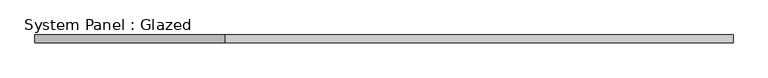
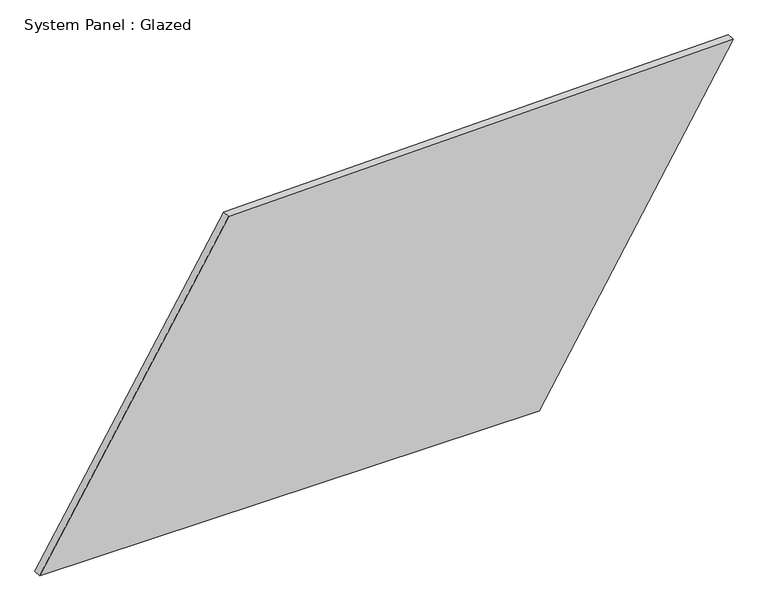
"""IFC4 building model written with IfcOpenShell, lengths in millimetres: plate geometry, System Panel : Glazed."""

from ifc_helpers import new_model, si_unit, frame, origin, place, context, project, spatial, polyline, outline, extrude, source, transform, mapped, element, save


def system_panel_glazed_1415b36a(model_context):
    return source(origin(), model_context, "Body", "SweptSolid", [
        extrude(outline(polyline([(0.0, -1089.031974), (0.0, 479.9318229), (1020.3325172, 1089.031974), (986.0407792, -495.4976911), (0.0, -1089.031974)])), frame((0.0, -49.5, 0.0), z_axis=(0.0, 1.0, 0.0), x_axis=(0.0, 0.0, 1.0)), (0.0, 0.0, 1.0), 25.0),
    ])


if __name__ == "__main__":
    model = new_model("IFC4")
    model_context = context("Model", 3, world=origin())
    ifc_project = project(units=[si_unit("LENGTHUNIT", "METRE", prefix="MILLI")], contexts=[model_context])
    site = spatial("IfcSite", under=ifc_project)
    building = spatial("IfcBuilding", under=site)
    placement = place(None, origin())
    system_panel_glazed_shape = system_panel_glazed_1415b36a(model_context)
    element("IfcPlate", 1, ObjectType="System Panel : Glazed", at=placement, inside=building, context=model_context, shape_type="MappedRepresentation", body=[
        mapped(system_panel_glazed_shape, transform((0.0, 0.0, 0.0), x_axis=(1.0, 0.0, 0.0), y_axis=(0.0, 1.0, 0.0), z_axis=(0.0, 0.0, 1.0))),
    ])
    save(model, "model.ifc")
